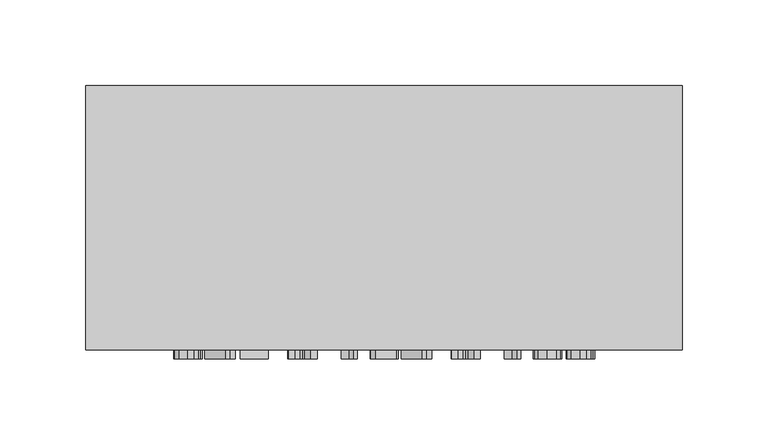
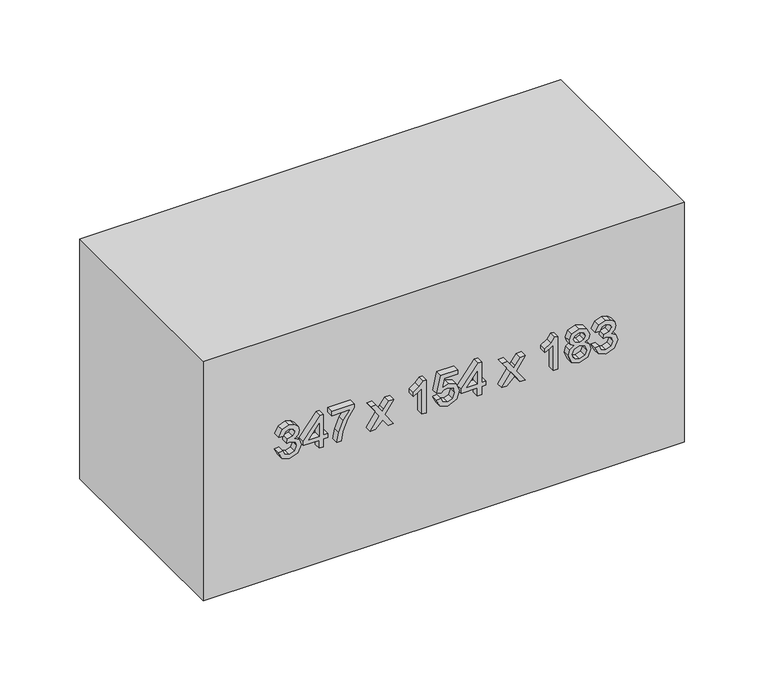
"""IFC4 building model written with IfcOpenShell, lengths in millimetres: furniture geometry."""

import ifcopenshell
import ifcopenshell.guid

model = None  # the IFC model being written
_history = None  # IfcOwnerHistory: only IFC2X3 demands one
_inside = {}  # id of a spatial element -> (the spatial element, [elements in it])
_under = {}  # id of a project, library or spatial element -> (it, [spatial elements below it])
_declared = {}  # id of a project -> (the project, [libraries it declares])
_typed = {}  # id of a type object -> (the type object, [elements of that type])
_made_of = {}  # id of a material, layer set ... -> (it, [elements and type objects made of it])


def new_model(schema):
    """Start an empty IFC model of exactly this schema.

    Asked for "IFC4X3", IfcOpenShell would pick the latest addendum, in which some entities
    have other attributes; the version numbers below select the first issue.
    IFC2X3 requires an IfcOwnerHistory on every rooted entity: one is made here for all.
    """
    global model, _history
    if schema == "IFC4X3":
        model = ifcopenshell.file(schema_version=(4, 3, 0, 0))
    else:
        model = ifcopenshell.file(schema=schema)
    _inside.clear()
    _under.clear()
    _declared.clear()
    _typed.clear()
    _made_of.clear()
    _history = None
    if model.schema == "IFC2X3":
        org = make("IfcOrganization", Name="unknown")
        user = make(
            "IfcPersonAndOrganization",
            ThePerson=make("IfcPerson", FamilyName="unknown"),
            TheOrganization=org,
        )
        app = make(
            "IfcApplication",
            ApplicationDeveloper=org,
            Version="unknown",
            ApplicationFullName="unknown",
            ApplicationIdentifier="unknown",
        )
        _history = make(
            "IfcOwnerHistory",
            OwningUser=user,
            OwningApplication=app,
            ChangeAction="ADDED",
            CreationDate=0,
        )
    return model


def make(cls, **values):
    """One entity of the class cls with the attributes given. An attribute that is None is left unset."""
    return model.create_entity(
        cls, **{name: value for name, value in values.items() if value is not None}
    )


def rooted(cls, **values):
    """An entity with a GlobalId (a new one), such as an element, a storey or a relation."""
    return make(cls, GlobalId=ifcopenshell.guid.new(), OwnerHistory=_history, **values)


def si_unit(unit_type, name, prefix=None):
    """IfcSIUnit, for example si_unit("LENGTHUNIT", "METRE", prefix="MILLI")."""
    return make("IfcSIUnit", UnitType=unit_type, Prefix=prefix, Name=name)


def assignment(units):
    """IfcUnitAssignment: the units of a project."""
    return None if units is None else make("IfcUnitAssignment", Units=units)


def point(xyz):
    """IfcCartesianPoint."""
    return None if xyz is None else make("IfcCartesianPoint", Coordinates=xyz)


def direction(xyz):
    """IfcDirection."""
    return None if xyz is None else make("IfcDirection", DirectionRatios=xyz)


def frame(location, z_axis=None, x_axis=None):
    """IfcAxis2Placement3D, a coordinate frame: its origin and axes. An axis left out is left unset."""
    return make(
        "IfcAxis2Placement3D",
        Location=point(location),
        Axis=direction(z_axis),
        RefDirection=direction(x_axis),
    )


def origin():
    """The frame at (0, 0, 0) with its axes left unset."""
    return frame((0.0, 0.0, 0.0))


def origin_with_axes():
    """The frame at (0, 0, 0) with the z axis (0, 0, 1) and the x axis (1, 0, 0) written out."""
    return frame((0.0, 0.0, 0.0), z_axis=(0.0, 0.0, 1.0), x_axis=(1.0, 0.0, 0.0))


def place(relative_to, where):
    """IfcLocalPlacement: puts the frame where relative to a parent placement (None: the world)."""
    return make(
        "IfcLocalPlacement", PlacementRelTo=relative_to, RelativePlacement=where
    )


def context(
    kind, dimensions, precision=None, world=None, true_north=None, identifier=None
):
    """IfcGeometricRepresentationContext, for example the 3D "Model" context."""
    return make(
        "IfcGeometricRepresentationContext",
        ContextIdentifier=identifier,
        ContextType=kind,
        CoordinateSpaceDimension=dimensions,
        Precision=precision,
        WorldCoordinateSystem=world,
        TrueNorth=true_north,
    )


def project(units=None, contexts=None):
    """IfcProject with its units and contexts."""
    return rooted(
        "IfcProject",
        Name="project",
        RepresentationContexts=contexts,
        UnitsInContext=assignment(units),
    )


def spatial(cls, under=None, at=None, **own):
    """A site, building, storey or space (cls), placed at a placement, below another one or the project."""
    s = rooted(cls, ObjectPlacement=at, **own)
    if under is not None:
        _under.setdefault(under.id(), (under, []))[1].append(s)
    return s


def polyline(points):
    """IfcPolyline through the points."""
    return make("IfcPolyline", Points=[point(p) for p in points])


def outline(outer, holes=None, kind="AREA"):
    """IfcArbitraryClosedProfileDef: a profile drawn as a closed curve; with holes, ...WithVoids."""
    if holes is None:
        return make("IfcArbitraryClosedProfileDef", ProfileType=kind, OuterCurve=outer)
    return make(
        "IfcArbitraryProfileDefWithVoids",
        ProfileType=kind,
        OuterCurve=outer,
        InnerCurves=holes,
    )


def extrude(swept, where, along, depth):
    """IfcExtrudedAreaSolid: the profile swept, set in the frame where, extruded along a direction by depth."""
    return make(
        "IfcExtrudedAreaSolid",
        SweptArea=swept,
        Position=where,
        ExtrudedDirection=direction(along),
        Depth=depth,
    )


def shape(context_of_items, identifier, shape_type, items):
    """IfcShapeRepresentation: the items that make up one representation, for example the "Body"."""
    return make(
        "IfcShapeRepresentation",
        ContextOfItems=context_of_items,
        RepresentationIdentifier=identifier,
        RepresentationType=shape_type,
        Items=items,
    )


def source(mapping_origin, context_of_items, identifier, shape_type, items):
    """IfcRepresentationMap: a shape defined once, which mapped items show again and again."""
    return make(
        "IfcRepresentationMap",
        MappingOrigin=mapping_origin,
        MappedRepresentation=shape(context_of_items, identifier, shape_type, items),
    )


def transform(
    local_origin,
    x_axis=None,
    y_axis=None,
    z_axis=None,
    scale=None,
    scale2=None,
    scale3=None,
    uniform=True,
):
    """IfcCartesianTransformationOperator3D, or its non-uniform kind. x_axis, y_axis, z_axis: its Axis1, 2, 3."""
    if uniform:
        return make(
            "IfcCartesianTransformationOperator3D",
            Axis1=direction(x_axis),
            Axis2=direction(y_axis),
            LocalOrigin=point(local_origin),
            Scale=scale,
            Axis3=direction(z_axis),
        )
    return make(
        "IfcCartesianTransformationOperator3DnonUniform",
        Axis1=direction(x_axis),
        Axis2=direction(y_axis),
        LocalOrigin=point(local_origin),
        Scale=scale,
        Axis3=direction(z_axis),
        Scale2=scale2,
        Scale3=scale3,
    )


def mapped(mapping_source, mapping_target):
    """IfcMappedItem: shows the shape of a source again, moved by a transform."""
    return make(
        "IfcMappedItem", MappingSource=mapping_source, MappingTarget=mapping_target
    )


def made_of(thing, what):
    """Note that an element or type object is made of a material, layer set ...; save() writes the relation."""
    if what is not None:
        _made_of.setdefault(what.id(), (what, []))[1].append(thing)
    return thing


def element(
    cls,
    number,
    at=None,
    inside=None,
    cuts=None,
    type_object=None,
    material=None,
    context=None,
    identifier="Body",
    shape_type=None,
    held_by="IfcProductDefinitionShape",
    body=None,
    shapes=None,
    **own,
):
    """One element of the class cls, such as IfcWall. Its Tag is "e" and its number.

    at: its placement. inside: the storey or other place that contains it. cuts: it is an
    opening in that element (IfcRelVoidsElement). A single representation is given by context,
    identifier, shape_type and body (its items); several are given by shapes. held_by: the class
    of the entity that holds the representations. save() writes the other relations.
    """
    e = rooted(cls, Tag="e%d" % number, ObjectPlacement=at, **own)
    if body is not None:
        shapes = [shape(context, identifier, shape_type, body)]
    if shapes is not None:
        e.Representation = make(held_by, Representations=shapes)
    if inside is not None:
        _inside.setdefault(inside.id(), (inside, []))[1].append(e)
    if cuts is not None:
        rooted(
            "IfcRelVoidsElement", RelatingBuildingElement=cuts, RelatedOpeningElement=e
        )
    if type_object is not None:
        _typed.setdefault(type_object.id(), (type_object, []))[1].append(e)
    return made_of(e, material)


def aggregate(whole, parts):
    """IfcRelAggregates: a whole, such as a stair, and the parts it consists of."""
    return rooted("IfcRelAggregates", RelatingObject=whole, RelatedObjects=parts)


def save(model, path):
    """Write the relations noted so far, then the file.

    IfcRelAggregates (storeys below a building ...), IfcRelContainedInSpatialStructure (elements
    in a storey), IfcRelDefinesByType, IfcRelAssociatesMaterial and IfcRelDeclares: one each for
    every whole, place, type object, material and project.
    """
    for whole, parts in _under.values():
        aggregate(whole, parts)
    for where, things in _inside.values():
        rooted(
            "IfcRelContainedInSpatialStructure",
            RelatedElements=things,
            RelatingStructure=where,
        )
    for kind, things in _typed.values():
        rooted("IfcRelDefinesByType", RelatedObjects=things, RelatingType=kind)
    for what, things in _made_of.values():
        rooted("IfcRelAssociatesMaterial", RelatedObjects=things, RelatingMaterial=what)
    for by, libraries in _declared.values():
        rooted("IfcRelDeclares", RelatingContext=by, RelatedDefinitions=libraries)
    model.write(path)


def furniture_cd11f3d9(model_context):
    return source(origin(), model_context, "Body", "SweptSolid", [
        extrude(outline(polyline([(98.1709268, -77.5345978), (93.0757612, -75.0391316), (91.1075925, -69.5331644), (93.4129864, -63.4569801), (99.0293182, -61.0534844), (103.1128083, -62.2552323), (105.2587866, -65.6765349), (107.3373199, -63.1013609), (110.2313249, -62.2307068), (113.3981758, -63.1473461), (115.7526205, -65.7960965), (116.6140775, -69.5822154), (114.8666381, -74.5731478), (109.9431507, -77.1421904), (109.5507432, -74.0029307), (112.4937992, -72.4639577), (113.4748178, -69.4718508), (112.5029962, -66.5165321), (110.0473839, -65.3699665), (107.2760062, -66.9518591), (106.4114835, -71.0169551), (103.2722238, -71.366443), (103.6155804, -69.1652824), (102.3310591, -65.5968271), (99.0845005, -64.1927441), (95.6386724, -65.6090898), (94.2468522, -69.4227998), (95.2585277, -72.6632271), (98.5633343, -74.3953381), (98.1709268, -77.5345978)])), frame((0.0, -159.0, 0.0), z_axis=(0.0, 1.0, 0.0), x_axis=(0.0, 0.0, 1.0)), (0.0, 0.0, 1.0), 5.0),
        extrude(outline(polyline([(91.5, -48.1040382), (91.5, -44.9647785), (97.3861119, -44.9647785), (97.3861119, -41.8255188), (100.5253716, -41.8255188), (100.5253716, -44.9647785), (116.2216701, -44.9647785), (116.2216701, -47.3192233), (100.5253716, -59.4838546), (97.3861119, -59.4838546), (97.3861119, -48.1040382), (91.5, -48.1040382)]), holes=[polyline([(100.5253716, -48.1040382), (100.5253716, -55.6210937), (110.2251936, -48.1040382), (100.5253716, -48.1040382)])]), frame((0.0, -159.0, 0.0), z_axis=(0.0, 1.0, 0.0), x_axis=(0.0, 0.0, 1.0)), (0.0, 0.0, 1.0), 5.0),
        extrude(outline(polyline([(113.0824104, -39.0786666), (113.0824104, -25.7368129), (106.5862275, -30.4824906), (98.5817284, -33.9068589), (91.5, -35.154592), (91.5, -32.0153323), (98.324211, -30.8503726), (106.929584, -27.2727202), (113.6832843, -22.5975532), (116.2216701, -22.5975532), (116.2216701, -39.0786666), (113.0824104, -39.0786666)])), frame((0.0, -159.0, 0.0), z_axis=(0.0, 1.0, 0.0), x_axis=(0.0, 0.0, 1.0)), (0.0, 0.0, 1.0), 5.0),
        extrude(outline(polyline([(91.5, -11.2177368), (91.5, -7.440815), (97.0734122, -1.9655047), (91.5, 1.8788622), (91.5, 5.655784), (100.7706263, -0.7331), (109.9431507, 5.9010387), (109.9431507, 2.1241169), (105.148422, -1.3462366), (103.4439021, -2.5786413), (105.5285667, -4.0011184), (109.9431507, -7.0484076), (109.9431507, -10.8253294), (100.7706263, -4.5100218), (91.5, -11.2177368)])), frame((0.0, -159.0, 0.0), z_axis=(0.0, 1.0, 0.0), x_axis=(0.0, 0.0, 1.0)), (0.0, 0.0, 1.0), 5.0),
        extrude(outline(polyline([(91.5, 29.2002317), (116.6140775, 29.2002317), (116.6140775, 27.1768807), (113.2724827, 24.3840433), (110.3355582, 19.7824526), (107.3679767, 19.7824526), (108.952935, 23.0872592), (111.0713221, 26.060972), (91.5, 26.060972), (91.5, 29.2002317)])), frame((0.0, -159.0, 0.0), z_axis=(0.0, 1.0, 0.0), x_axis=(0.0, 0.0, 1.0)), (0.0, 0.0, 1.0), 5.0),
        extrude(outline(polyline([(98.1709268, 36.6559735), (93.0420387, 39.1054544), (91.1075925, 44.6451441), (94.1180935, 51.1689182), (99.9428918, 53.1370869), (105.7309018, 50.9512547), (107.9811134, 45.5832432), (106.1662289, 40.9908496), (113.0824104, 42.3336189), (113.0824104, 51.9598645), (116.2216701, 51.9598645), (116.2216701, 39.7952332), (103.2722238, 37.0483809), (102.8798164, 40.1876406), (104.2961621, 41.9504085), (104.8418537, 44.7064578), (103.4745589, 48.682649), (99.7466881, 49.9978272), (95.7521027, 48.5937442), (94.2468522, 44.6574069), (95.3290384, 41.3771257), (98.5633343, 39.7952332), (98.1709268, 36.6559735)])), frame((0.0, -159.0, 0.0), z_axis=(0.0, 1.0, 0.0), x_axis=(0.0, 0.0, 1.0)), (0.0, 0.0, 1.0), 5.0),
        extrude(outline(polyline([(91.5, 66.0865331), (91.5, 69.2257928), (97.3861119, 69.2257928), (97.3861119, 72.3650525), (100.5253716, 72.3650525), (100.5253716, 69.2257928), (116.2216701, 69.2257928), (116.2216701, 66.871348), (100.5253716, 54.7067167), (97.3861119, 54.7067167), (97.3861119, 66.0865331), (91.5, 66.0865331)]), holes=[polyline([(100.5253716, 66.0865331), (100.5253716, 58.5694777), (110.2251936, 66.0865331), (100.5253716, 66.0865331)])]), frame((0.0, -159.0, 0.0), z_axis=(0.0, 1.0, 0.0), x_axis=(0.0, 0.0, 1.0)), (0.0, 0.0, 1.0), 5.0),
        extrude(outline(polyline([(91.5, 83.7448689), (91.5, 87.5217907), (97.0734122, 92.997101), (91.5, 96.8414679), (91.5, 100.6183897), (100.7706263, 94.2295057), (109.9431507, 100.8636444), (109.9431507, 97.0867225), (105.148422, 93.6163691), (103.4439021, 92.3839644), (105.5285667, 90.9614873), (109.9431507, 87.9141981), (109.9431507, 84.1372763), (100.7706263, 90.4525839), (91.5, 83.7448689)])), frame((0.0, -159.0, 0.0), z_axis=(0.0, 1.0, 0.0), x_axis=(0.0, 0.0, 1.0)), (0.0, 0.0, 1.0), 5.0),
        extrude(outline(polyline([(91.5, 124.1628374), (116.6140775, 124.1628374), (116.6140775, 122.1394864), (113.2724827, 119.3466489), (110.3355582, 114.7450583), (107.3679767, 114.7450583), (108.952935, 118.0498649), (111.0713221, 121.0235777), (91.5, 121.0235777), (91.5, 124.1628374)])), frame((0.0, -159.0, 0.0), z_axis=(0.0, 1.0, 0.0), x_axis=(0.0, 0.0, 1.0)), (0.0, 0.0, 1.0), 5.0),
        extrude(outline(polyline([(105.332363, 136.1925786), (103.0514946, 132.8080643), (98.8944281, 131.6185792), (93.3363443, 133.8871848), (91.1075925, 139.8591359), (93.3271472, 145.8310869), (98.808589, 148.0996925), (102.8706193, 146.9561927), (105.332363, 143.6176636), (107.2729405, 146.3982383), (110.2313249, 147.3148776), (114.7562735, 145.2547384), (116.6140775, 139.8162163), (114.799193, 134.4267451), (110.3171641, 132.4033941), (107.2821376, 133.3322961), (105.332363, 136.1925786)]), holes=[polyline([(110.2251936, 135.5426538), (112.5183247, 136.6738909), (113.4748178, 139.8591359), (112.4968649, 143.0351837), (110.0841721, 144.1756179), (107.7542528, 143.0719719), (106.803891, 139.8959241), (107.7603842, 136.6554968), (110.2251936, 135.5426538)]), polyline([(99.0047927, 134.7578389), (102.3341248, 136.0852797), (103.6646313, 139.7794281), (102.3157307, 143.5808754), (98.9066908, 144.9604329), (95.5620304, 143.6237949), (94.2468522, 139.8836613), (94.8722516, 137.1368091), (96.6411509, 135.2820707), (99.0047927, 134.7578389)])]), frame((0.0, -159.0, 0.0), z_axis=(0.0, 1.0, 0.0), x_axis=(0.0, 0.0, 1.0)), (0.0, 0.0, 1.0), 5.0),
        extrude(outline(polyline([(98.1709268, 150.8465448), (93.0757612, 153.342011), (91.1075925, 158.8479782), (93.4129864, 164.9241625), (99.0293182, 167.3276582), (103.1128083, 166.1259103), (105.2587866, 162.7046078), (107.3373199, 165.2797817), (110.2313249, 166.1504358), (113.3981758, 165.2337965), (115.7526205, 162.5850461), (116.6140775, 158.7989272), (114.8666381, 153.8079948), (109.9431507, 151.2389522), (109.5507432, 154.3782119), (112.4937992, 155.9171849), (113.4748178, 158.9092918), (112.5029962, 161.8646105), (110.0473839, 163.0111761), (107.2760062, 161.4292835), (106.4114835, 157.3641875), (103.2722238, 157.0146996), (103.6155804, 159.2158602), (102.3310591, 162.7843155), (99.0845005, 164.1883985), (95.6386724, 162.7720528), (94.2468522, 158.9583428), (95.2585277, 155.7179155), (98.5633343, 153.9858045), (98.1709268, 150.8465448)])), frame((0.0, -159.0, 0.0), z_axis=(0.0, 1.0, 0.0), x_axis=(0.0, 0.0, 1.0)), (0.0, 0.0, 1.0), 5.0),
        extrude(outline(polyline([(218.2003264, 0.0), (218.2003264, -154.0), (-128.7996736, -154.0), (-128.7996736, 0.0), (218.2003264, 0.0)])), origin_with_axes(), (0.0, 0.0, 1.0), 183.0),
    ])


if __name__ == "__main__":
    model = new_model("IFC4")
    model_context = context("Model", 3, world=origin())
    ifc_project = project(units=[si_unit("LENGTHUNIT", "METRE", prefix="MILLI")], contexts=[model_context])
    site = spatial("IfcSite", under=ifc_project)
    building = spatial("IfcBuilding", under=site)
    placement = place(None, origin())
    furniture_shape = furniture_cd11f3d9(model_context)
    element("IfcFurniture", 1, at=placement, inside=building, context=model_context, shape_type="MappedRepresentation", body=[
        mapped(furniture_shape, transform((0.0, 0.0, 0.0), x_axis=(1.0, 0.0, 0.0), y_axis=(0.0, 1.0, 0.0), z_axis=(0.0, 0.0, 1.0))),
    ])
    save(model, "model.ifc")
